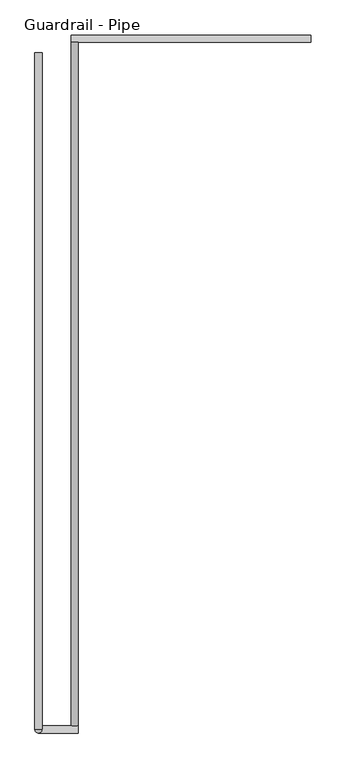
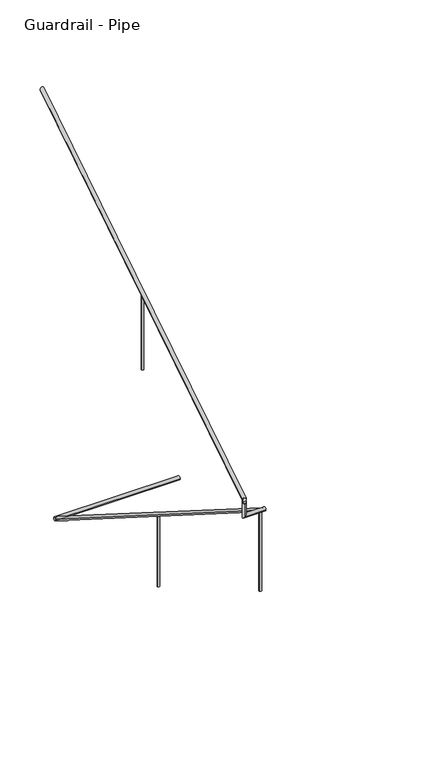
"""IFC4 building model written with IfcOpenShell, lengths in millimetres: railing geometry, Guardrail - Pipe."""

from ifc_helpers import new_model, si_unit, frame, origin, place, context, project, spatial, circle_curve, ellipse_curve, source, transform, mapped, element, save
from ifc_brep_helpers import plane_surface, cylinder_surface, advanced_brep


def guardrail_pipe_04546ad5(model_context):
    return source(origin(), model_context, "Body", "AdvancedBrep", [
        advanced_brep(
        [(487033.6754676, -251225.8580223, 880.1377262), (486995.5754676, -251225.8580223, 880.1377262), (487033.6754676, -254896.1580223, 3203.4252683), (486995.5754676, -254896.1580223, 3203.4252683)],
        [
            (0, 1, ellipse_curve(frame((487014.6254676, -251225.8580223, 880.1377262), z_axis=(0.0, 1.0, 0.0), x_axis=(0.0, 0.0, -1.0)), 22.5457755, 19.05)),
            (1, 0, ellipse_curve(frame((487014.6254676, -251225.8580223, 880.1377262), z_axis=(0.0, 1.0, 0.0), x_axis=(0.0, 0.0, -1.0)), 22.5457755, 19.05)),
            (2, 3, ellipse_curve(frame((487014.6254676, -254896.1580223, 3203.4252683), z_axis=(0.0, -1.0, 0.0), x_axis=(0.0, 0.0, -1.0)), 22.5457755, 19.05)),
            (3, 2, ellipse_curve(frame((487014.6254676, -254896.1580223, 3203.4252683), z_axis=(0.0, -1.0, 0.0), x_axis=(0.0, 0.0, -1.0)), 22.5457755, 19.05)),
            (1, 3),
            (2, 0),
        ],
        [
            plane_surface(frame((487014.6254676, -251225.8580223, 902.6835017), z_axis=(0.0, 1.0, 0.0), x_axis=(0.0, 0.0, -1.0))),
            plane_surface(frame((487014.6254676, -254896.1580223, 3225.9710438), z_axis=(0.0, -1.0, 0.0), x_axis=(0.0, 0.0, -1.0))),
            cylinder_surface(frame((487014.6254676, -251236.0468961, 886.587249), z_axis=(0.0, 0.8449476488296452, -0.5348490167675869), x_axis=(-1.0, 0.0, 0.0)), 19.05),
        ],
        [
            (0, [[1, 2]]),
            (1, [[3, 4]]),
            (2, [[-2, 5, -3, 6]]),
            (2, [[-1, -6, -4, -5]]),
        ],
    ),
        advanced_brep(
        [(487033.6754676, -254934.2580223, 3218.9796296), (487033.6754676, -254896.1580223, 3218.9796296), (486820.105137, -254896.1580223, 3218.9796296), (486820.105137, -254934.2580223, 3218.9796296), (486820.105137, -254934.2580223, 3357.738752), (486820.105137, -254896.1580223, 3381.8559237)],
        [
            (0, 1, circle_curve(frame((487033.6754676, -254915.2080223, 3218.9796296), z_axis=(1.0, 0.0, 0.0), x_axis=(0.0, 1.0, 0.0)), 19.05)),
            (1, 0, circle_curve(frame((487033.6754676, -254915.2080223, 3218.9796296), z_axis=(1.0, 0.0, 0.0), x_axis=(0.0, 1.0, 0.0)), 19.05)),
            (1, 2),
            (2, 3, ellipse_curve(frame((486820.105137, -254915.2080223, 3218.9796296), z_axis=(0.7071067811865475, 0.0, -0.7071067811865475), x_axis=(0.7071067811865476, 0.0, 0.7071067811865474)), 26.9407684, 19.05)),
            (3, 0),
            (3, 2, ellipse_curve(frame((486820.105137, -254915.2080223, 3218.9796296), z_axis=(0.7071067811865475, 0.0, -0.7071067811865475), x_axis=(0.7071067811865476, 0.0, 0.7071067811865474)), 26.9407684, 19.05)),
            (4, 5, ellipse_curve(frame((486820.105137, -254915.2080223, 3369.7973379), z_axis=(0.0, -0.5348490167675869, 0.8449476488296452), x_axis=(0.0, -0.8449476488296452, -0.5348490167675869)), 22.5457755, 19.05)),
            (5, 4, ellipse_curve(frame((486820.105137, -254915.2080223, 3369.7973379), z_axis=(0.0, -0.5348490167675869, 0.8449476488296452), x_axis=(0.0, -0.8449476488296452, -0.5348490167675869)), 22.5457755, 19.05)),
            (2, 5),
            (4, 3),
        ],
        [
            plane_surface(frame((487033.6754676, -254915.2080223, 3238.0296296), z_axis=(1.0, 0.0, 0.0), x_axis=(0.0, -1.0, 0.0))),
            cylinder_surface(frame((487033.6754676, -254915.2080223, 3218.9796296), z_axis=(1.0, 0.0, 0.0), x_axis=(0.0, 1.0, 0.0)), 19.05),
            plane_surface(frame((486839.155137, -254915.2080223, 3369.7973379), z_axis=(0.0, -0.5348490167675869, 0.8449476488296452), x_axis=(1.0, 0.0, 0.0))),
            cylinder_surface(frame((486820.105137, -254915.2080223, 3238.0296296), z_axis=(0.0, 0.0, -1.0), x_axis=(0.0, 1.0, 0.0)), 19.05),
        ],
        [
            (0, [[1, 2]]),
            (1, [[-2, 3, 4, 5]]),
            (1, [[-1, -5, 6, -3]]),
            (2, [[7, 8]]),
            (3, [[-4, 9, -7, 10]]),
            (3, [[-6, -10, -8, -9]]),
        ],
    ),
        advanced_brep(
        [(486801.055137, -254915.2080223, 3392.3431134), (486839.155137, -254915.2080223, 3392.3431134), (486801.055137, -251283.0080223, 5691.5134838), (486839.155137, -251283.0080223, 5691.5134838)],
        [
            (0, 1, ellipse_curve(frame((486820.105137, -254915.2080223, 3392.3431134), z_axis=(0.0, -1.0, 0.0), x_axis=(0.0, 0.0, -1.0)), 22.5457755, 19.05)),
            (1, 0, ellipse_curve(frame((486820.105137, -254915.2080223, 3392.3431134), z_axis=(0.0, -1.0, 0.0), x_axis=(0.0, 0.0, -1.0)), 22.5457755, 19.05)),
            (2, 3, ellipse_curve(frame((486820.105137, -251283.0080223, 5691.5134838), z_axis=(0.0, 1.0, 0.0), x_axis=(0.0, 0.0, -1.0)), 22.5457755, 19.05)),
            (3, 2, ellipse_curve(frame((486820.105137, -251283.0080223, 5691.5134838), z_axis=(0.0, 1.0, 0.0), x_axis=(0.0, 0.0, -1.0)), 22.5457755, 19.05)),
            (1, 3),
            (2, 0),
        ],
        [
            plane_surface(frame((486820.105137, -254915.2080223, 3414.8888889), z_axis=(0.0, -1.0, 0.0), x_axis=(0.0, 0.0, 1.0))),
            plane_surface(frame((486820.105137, -251283.0080223, 5714.0592593), z_axis=(0.0, 1.0, 0.0), x_axis=(0.0, 0.0, 1.0))),
            cylinder_surface(frame((486820.105137, -254905.0191486, 3398.7926362), z_axis=(0.0, -0.8449476488296452, -0.5348490167675869), x_axis=(1.0, 0.0, 0.0)), 19.05),
        ],
        [
            (0, [[1, 2]]),
            (1, [[3, 4]]),
            (2, [[-2, 5, -3, 6]]),
            (2, [[-1, -6, -4, -5]]),
        ],
    ),
        advanced_brep(
        [(488284.6254676, -251225.8580223, 871.5749158), (488284.6254676, -251187.7580223, 871.5749158), (486995.5754676, -251225.8580223, 871.5749158), (486995.5754676, -251187.7580223, 871.5749158)],
        [
            (0, 1, circle_curve(frame((488284.6254676, -251206.8080223, 871.5749158), z_axis=(1.0, 0.0, 0.0), x_axis=(0.0, 1.0, 0.0)), 19.05)),
            (1, 0, circle_curve(frame((488284.6254676, -251206.8080223, 871.5749158), z_axis=(1.0, 0.0, 0.0), x_axis=(0.0, 1.0, 0.0)), 19.05)),
            (2, 3, circle_curve(frame((486995.5754676, -251206.8080223, 871.5749158), z_axis=(-1.0, 0.0, 0.0), x_axis=(0.0, 1.0, 0.0)), 19.05)),
            (3, 2, circle_curve(frame((486995.5754676, -251206.8080223, 871.5749158), z_axis=(-1.0, 0.0, 0.0), x_axis=(0.0, 1.0, 0.0)), 19.05)),
            (1, 3),
            (2, 0),
        ],
        [
            plane_surface(frame((488284.6254676, -251206.8080223, 890.6249158), z_axis=(1.0, 0.0, 0.0), x_axis=(0.0, -1.0, 0.0))),
            plane_surface(frame((486995.5754676, -251206.8080223, 890.6249158), z_axis=(-1.0, 0.0, 0.0), x_axis=(0.0, -1.0, 0.0))),
            cylinder_surface(frame((488284.6254676, -251206.8080223, 871.5749158), z_axis=(1.0, 0.0, 0.0), x_axis=(0.0, 1.0, 0.0)), 19.05),
        ],
        [
            (0, [[1, 2]]),
            (1, [[3, 4]]),
            (2, [[-2, 5, -3, 6]]),
            (2, [[-1, -6, -4, -5]]),
        ],
    ),
        advanced_brep(
        [(486832.805137, -253086.4080223, 4527.4215803), (486832.805137, -253086.4080223, 3714.0444444), (486807.405137, -253086.4080223, 3714.0444444), (486807.405137, -253086.4080223, 4527.4215803)],
        [
            (0, 1),
            (1, 2, circle_curve(frame((486820.105137, -253086.4080223, 3714.0444444), z_axis=(0.0, 0.0, 1.0), x_axis=(-1.0, 0.0, 0.0)), 12.7)),
            (2, 3),
            (3, 0, ellipse_curve(frame((486820.105137, -253086.4080223, 4527.4215803), z_axis=(0.0, 0.5348490167675828, -0.844947648829648), x_axis=(0.0, 0.8449476488296481, 0.5348490167675825)), 15.030517, 12.7)),
            (0, 3, ellipse_curve(frame((486820.105137, -253086.4080223, 4527.4215803), z_axis=(0.0, 0.5348490167675828, -0.844947648829648), x_axis=(0.0, 0.8449476488296481, 0.5348490167675825)), 15.030517, 12.7)),
            (2, 1, circle_curve(frame((486820.105137, -253086.4080223, 3714.0444444), z_axis=(0.0, 0.0, 1.0), x_axis=(-1.0, 0.0, 0.0)), 12.7)),
        ],
        [
            cylinder_surface(frame((486820.105137, -253086.4080223, 3485.4444444), z_axis=(0.0, 0.0, 1.0), x_axis=(-1.0, 0.0, 0.0)), 12.7),
            plane_surface(frame((486794.705137, -253061.0080223, 4543.4996948), z_axis=(0.0, -0.5348490167675828, 0.844947648829648), x_axis=(1.0, 0.0, 0.0))),
            plane_surface(frame((486794.705137, -253111.8080223, 3714.0444444), z_axis=(0.0, 0.0, -1.0), x_axis=(1.0, 0.0, 0.0))),
        ],
        [
            (0, [[1, 2, 3, 4]]),
            (0, [[-1, 5, -3, 6]]),
            (1, [[-4, -5]]),
            (2, [[-2, -6]]),
        ],
    ),
        advanced_brep(
        [(487001.9254676, -254864.4080223, 3160.7818497), (487001.9254676, -254864.4080223, 2299.1703704), (487027.3254676, -254864.4080223, 2299.1703704), (487027.3254676, -254864.4080223, 3160.7818497)],
        [
            (0, 1),
            (1, 2, circle_curve(frame((487014.6254676, -254864.4080223, 2299.1703704), z_axis=(0.0, 0.0, 1.0), x_axis=(1.0, 0.0, 0.0)), 12.7)),
            (2, 3),
            (3, 0, ellipse_curve(frame((487014.6254676, -254864.4080223, 3160.7818497), z_axis=(0.0, -0.534849016767586, -0.8449476488296459), x_axis=(0.0, -0.8449476488296459, 0.5348490167675857)), 15.030517, 12.7)),
            (0, 3, ellipse_curve(frame((487014.6254676, -254864.4080223, 3160.7818497), z_axis=(0.0, -0.534849016767586, -0.8449476488296459), x_axis=(0.0, -0.8449476488296459, 0.5348490167675857)), 15.030517, 12.7)),
            (2, 1, circle_curve(frame((487014.6254676, -254864.4080223, 2299.1703704), z_axis=(0.0, 0.0, 1.0), x_axis=(1.0, 0.0, 0.0)), 12.7)),
        ],
        [
            cylinder_surface(frame((487014.6254676, -254864.4080223, 2070.5703704), z_axis=(0.0, 0.0, 1.0), x_axis=(1.0, 0.0, 0.0)), 12.7),
            plane_surface(frame((487040.0254676, -254889.8080223, 3176.8599642), z_axis=(0.0, 0.534849016767586, 0.8449476488296459), x_axis=(-1.0, 0.0, 0.0))),
            plane_surface(frame((487040.0254676, -254839.0080223, 2299.1703704), z_axis=(0.0, 0.0, -1.0), x_axis=(-1.0, 0.0, 0.0))),
        ],
        [
            (0, [[1, 2, 3, 4]]),
            (0, [[-1, 5, -3, 6]]),
            (1, [[-4, -5]]),
            (2, [[-2, -6]]),
        ],
    ),
        advanced_brep(
        [(487001.9254676, -253035.6080223, 2003.1576072), (487001.9254676, -253035.6080223, 1238.0148148), (487027.3254676, -253035.6080223, 1238.0148148), (487027.3254676, -253035.6080223, 2003.1576072)],
        [
            (0, 1),
            (1, 2, circle_curve(frame((487014.6254676, -253035.6080223, 1238.0148148), z_axis=(0.0, 0.0, 1.0), x_axis=(1.0, 0.0, 0.0)), 12.7)),
            (2, 3),
            (3, 0, ellipse_curve(frame((487014.6254676, -253035.6080223, 2003.1576072), z_axis=(0.0, -0.5348490167675843, -0.8449476488296469), x_axis=(0.0, -0.8449476488296469, 0.5348490167675843)), 15.030517, 12.7)),
            (0, 3, ellipse_curve(frame((487014.6254676, -253035.6080223, 2003.1576072), z_axis=(0.0, -0.5348490167675843, -0.8449476488296469), x_axis=(0.0, -0.8449476488296469, 0.5348490167675843)), 15.030517, 12.7)),
            (2, 1, circle_curve(frame((487014.6254676, -253035.6080223, 1238.0148148), z_axis=(0.0, 0.0, 1.0), x_axis=(1.0, 0.0, 0.0)), 12.7)),
        ],
        [
            cylinder_surface(frame((487014.6254676, -253035.6080223, 1009.4148148), z_axis=(0.0, 0.0, 1.0), x_axis=(1.0, 0.0, 0.0)), 12.7),
            plane_surface(frame((487040.0254676, -253061.0080223, 2019.2357217), z_axis=(0.0, 0.5348490167675843, 0.8449476488296469), x_axis=(-1.0, 0.0, 0.0))),
            plane_surface(frame((487040.0254676, -253010.2080223, 1238.0148148), z_axis=(0.0, 0.0, -1.0), x_axis=(-1.0, 0.0, 0.0))),
        ],
        [
            (0, [[1, 2, 3, 4]]),
            (0, [[-1, 5, -3, 6]]),
            (1, [[-4, -5]]),
            (2, [[-2, -6]]),
        ],
    ),
    ])


if __name__ == "__main__":
    model = new_model("IFC4")
    model_context = context("Model", 3, world=origin())
    ifc_project = project(units=[si_unit("LENGTHUNIT", "METRE", prefix="MILLI")], contexts=[model_context])
    site = spatial("IfcSite", under=ifc_project)
    building = spatial("IfcBuilding", under=site)
    placement = place(None, origin())
    guardrail_pipe_shape = guardrail_pipe_04546ad5(model_context)
    element("IfcRailing", 1, ObjectType="Guardrail - Pipe", at=placement, inside=building, context=model_context, shape_type="MappedRepresentation", body=[
        mapped(guardrail_pipe_shape, transform((0.0, 0.0, 0.0), x_axis=(1.0, 0.0, 0.0), y_axis=(0.0, 1.0, 0.0), z_axis=(0.0, 0.0, 1.0))),
    ])
    save(model, "model.ifc")
